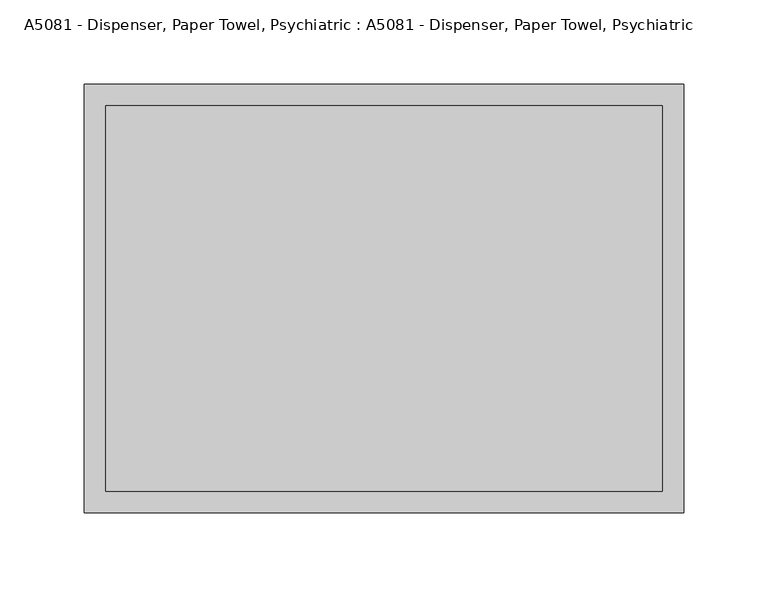
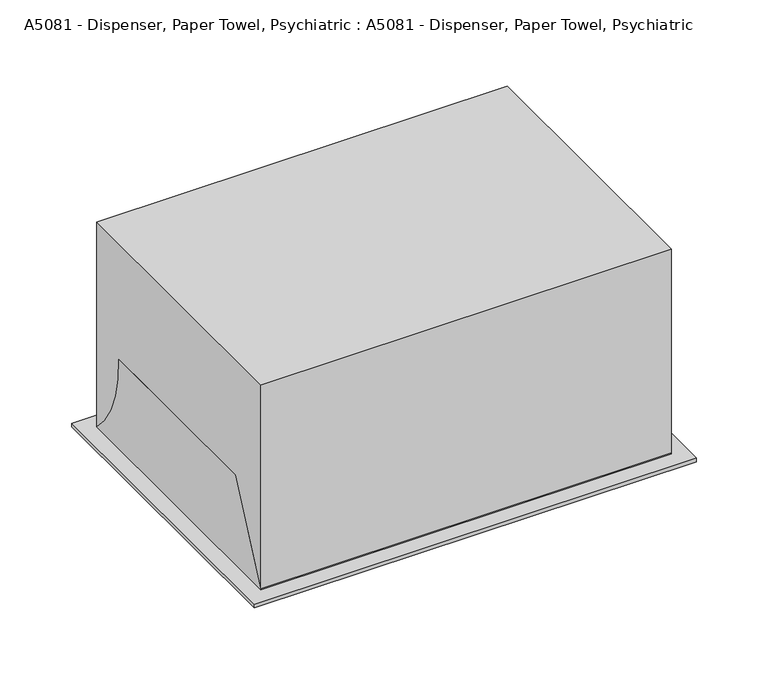
"""IFC4 building model written with IfcOpenShell, lengths in millimetres: proxy geometry, A5081 - Dispenser, Paper Towel, Psychiatric : A5081 - Dispenser, Paper Towel, Psychiatric."""

from ifc_helpers import new_model, si_unit, point, frame, frame_2d, origin, origin_with_axes, place, context, project, spatial, polyline, circle_curve, trimmed, segment, composite_curve, outline, extrude, source, transform, mapped, element, save


def a5081_dispenser_paper_towel_psychiatric_a5081_dispenser_85d5f348(model_context):
    return source(origin(), model_context, "Body", "SweptSolid", [
        extrude(outline(composite_curve([segment(trimmed(circle_curve(frame_2d((67.0217452, 74.5728797)), 97.9263578), [point((-30.7867984, 79.375))], [point((0.0, 3.175))], True, "CARTESIAN"), True, "CONTINUOUS"), segment(polyline([(0.0, 3.175), (-228.6, 3.175), (-193.0673564, 79.375), (-30.7867984, 79.375)]), True, "CONTINUOUS")], self_intersect=False)), frame((-165.1, 0.0, 0.0), z_axis=(1.0, 0.0, 0.0), x_axis=(0.0, 1.0, 0.0)), (0.0, 0.0, 1.0), 330.2),
        extrude(outline(polyline([(177.8, -241.3), (-177.8, -241.3), (-177.8, 12.7), (177.8, 12.7), (177.8, -241.3)]), holes=[polyline([(165.1, -228.6), (165.1, 0.0), (-165.1, 0.0), (-165.1, -228.6), (165.1, -228.6)])]), origin_with_axes(), (0.0, 0.0, 1.0), 3.175),
        extrude(outline(polyline([(165.1, -228.6), (-165.1, -228.6), (-165.1, 0.0), (165.1, 0.0), (165.1, -228.6)])), origin_with_axes(), (0.0, 0.0, 1.0), 177.8),
    ])


if __name__ == "__main__":
    model = new_model("IFC4")
    model_context = context("Model", 3, world=origin())
    ifc_project = project(units=[si_unit("LENGTHUNIT", "METRE", prefix="MILLI")], contexts=[model_context])
    site = spatial("IfcSite", under=ifc_project)
    building = spatial("IfcBuilding", under=site)
    placement = place(None, origin())
    a5081_dispenser_paper_towel_psychiatric_a5081_dispenser_shape = a5081_dispenser_paper_towel_psychiatric_a5081_dispenser_85d5f348(model_context)
    element("IfcBuildingElementProxy", 1, Name="A5081 - Dispenser, Paper Towel, Psychiatric : A5081 - Dispenser, Paper Towel, Psychiatric", ObjectType="A5081 - Dispenser, Paper Towel, Psychiatric : A5081 - Dispenser, Paper Towel, Psychiatric", at=placement, inside=building, context=model_context, shape_type="MappedRepresentation", body=[
        mapped(a5081_dispenser_paper_towel_psychiatric_a5081_dispenser_shape, transform((0.0, 0.0, 0.0), x_axis=(1.0, 0.0, 0.0), y_axis=(0.0, 1.0, 0.0), z_axis=(0.0, 0.0, 1.0))),
    ])
    save(model, "model.ifc")
